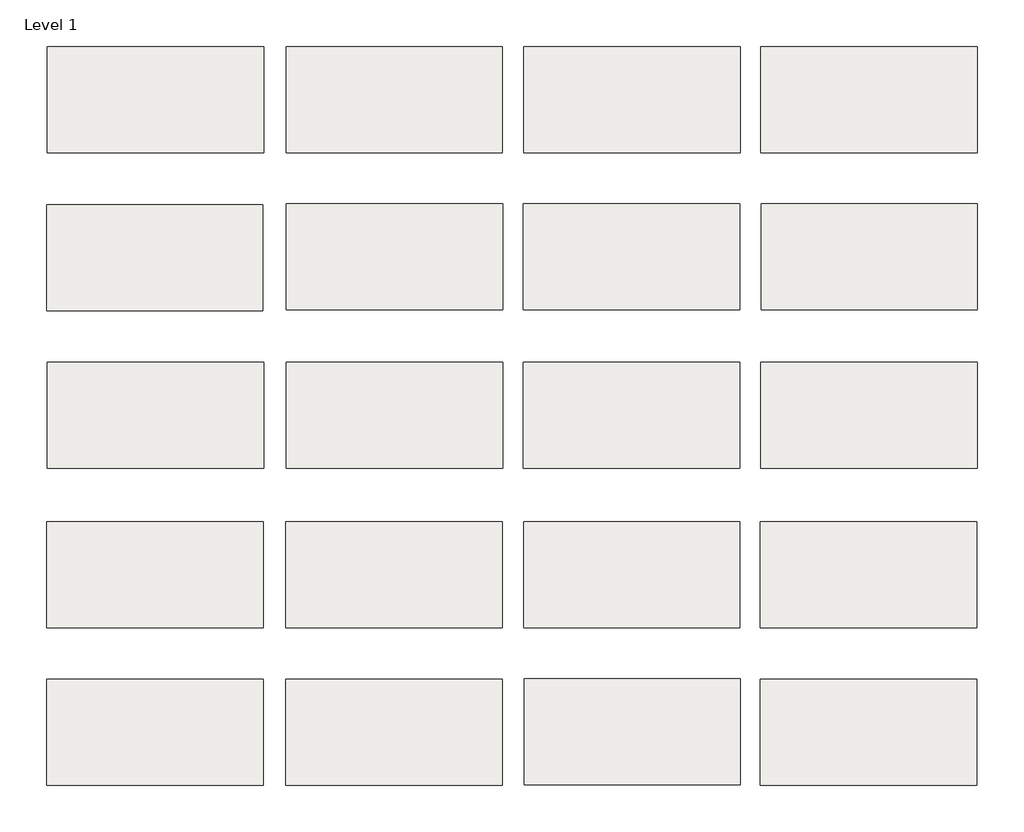
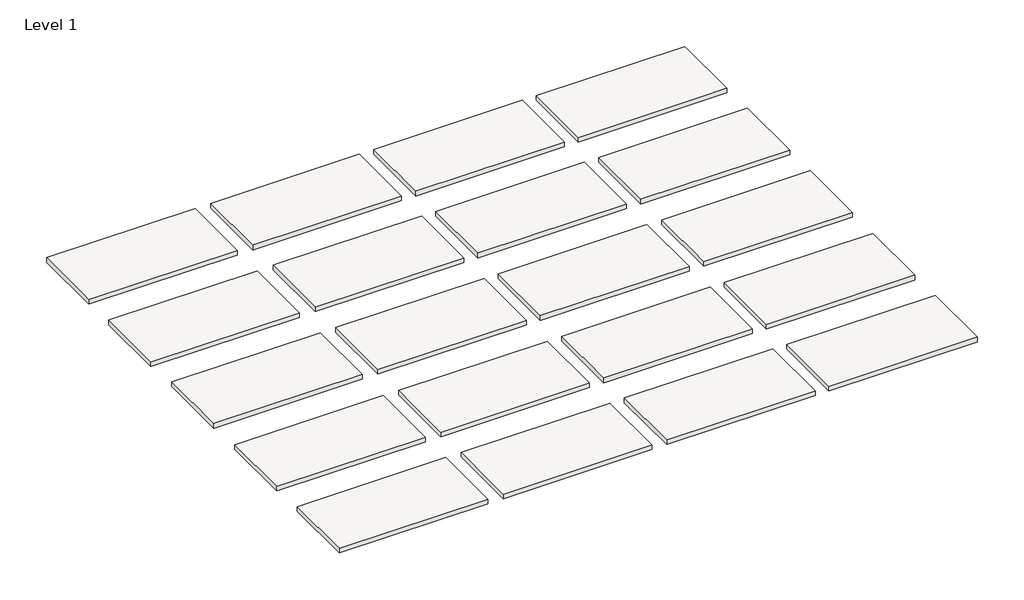
# One storey: 20 slabs.
"""IFC4 building model written with IfcOpenShell, lengths in millimetres."""

from ifc_helpers import new_model, si_unit, frame, origin, place, context, project, spatial, polyline, outline, extrude, element, save

model = new_model("IFC4")

# Units and contexts
model_context = context("Model", 3, world=origin())
ifc_project = project(units=[si_unit("LENGTHUNIT", "METRE", prefix="MILLI")], contexts=[model_context])

# Site, building, storey
site = spatial("IfcSite", under=ifc_project)
building = spatial("IfcBuilding", under=site)
storey = spatial("IfcBuildingStorey", under=building, Name="Level 1", Elevation=0.0)

# Slabs
placement = place(None, origin())
element("IfcSlab", 1, at=placement, inside=storey, context=model_context, shape_type="SweptSolid", body=[
    extrude(outline(polyline([(-31351.4569148, 12110.0907703), (-31351.4569148, 11944.9907703), (-31688.0069148, 11944.9907703), (-31688.0069148, 12110.0907703), (-31351.4569148, 12110.0907703)])), frame((0.0, 0.0, -11.1125), z_axis=(0.0, 0.0, 1.0), x_axis=(1.0, 0.0, 0.0)), (0.0, 0.0, 1.0), 11.1125),
])
element("IfcSlab", 2, at=placement, inside=storey, context=model_context, shape_type="SweptSolid", body=[
    extrude(outline(polyline([(-32093.127291, 13093.2625748), (-32093.127291, 12928.1625748), (-32429.677291, 12928.1625748), (-32429.677291, 13093.2625748), (-32093.127291, 13093.2625748)])), frame((0.0, 0.0, -11.1125), z_axis=(0.0, 0.0, 1.0), x_axis=(1.0, 0.0, 0.0)), (0.0, 0.0, 1.0), 11.1125),
])
element("IfcSlab", 3, at=placement, inside=storey, context=model_context, shape_type="SweptSolid", body=[
    extrude(outline(polyline([(-31721.652291, 13093.2625748), (-31721.652291, 12928.1625748), (-32058.202291, 12928.1625748), (-32058.202291, 13093.2625748), (-31721.652291, 13093.2625748)])), frame((0.0, 0.0, -11.1125), z_axis=(0.0, 0.0, 1.0), x_axis=(1.0, 0.0, 0.0)), (0.0, 0.0, 1.0), 11.1125),
])
element("IfcSlab", 4, at=placement, inside=storey, context=model_context, shape_type="SweptSolid", body=[
    extrude(outline(polyline([(-31351.764791, 13093.2625748), (-31351.764791, 12928.1625748), (-31688.314791, 12928.1625748), (-31688.314791, 13093.2625748), (-31351.764791, 13093.2625748)])), frame((0.0, 0.0, -11.1125), z_axis=(0.0, 0.0, 1.0), x_axis=(1.0, 0.0, 0.0)), (0.0, 0.0, 1.0), 11.1125),
])
element("IfcSlab", 5, at=placement, inside=storey, context=model_context, shape_type="SweptSolid", body=[
    extrude(outline(polyline([(-30983.464791, 13093.2625748), (-30983.464791, 12928.1625748), (-31320.014791, 12928.1625748), (-31320.014791, 13093.2625748), (-30983.464791, 13093.2625748)])), frame((0.0, 0.0, -11.1125), z_axis=(0.0, 0.0, 1.0), x_axis=(1.0, 0.0, 0.0)), (0.0, 0.0, 1.0), 11.1125),
])
element("IfcSlab", 6, at=placement, inside=storey, context=model_context, shape_type="SweptSolid", body=[
    extrude(outline(polyline([(-32094.1575251, 12847.0969588), (-32094.1575251, 12681.9969588), (-32430.7075251, 12681.9969588), (-32430.7075251, 12847.0969588), (-32094.1575251, 12847.0969588)])), frame((0.0, 0.0, -11.1125), z_axis=(0.0, 0.0, 1.0), x_axis=(1.0, 0.0, 0.0)), (0.0, 0.0, 1.0), 11.1125),
])
element("IfcSlab", 7, at=placement, inside=storey, context=model_context, shape_type="SweptSolid", body=[
    extrude(outline(polyline([(-31721.0950251, 12848.6844588), (-31721.0950251, 12683.5844588), (-32057.6450251, 12683.5844588), (-32057.6450251, 12848.6844588), (-31721.0950251, 12848.6844588)])), frame((0.0, 0.0, -11.1125), z_axis=(0.0, 0.0, 1.0), x_axis=(1.0, 0.0, 0.0)), (0.0, 0.0, 1.0), 11.1125),
])
element("IfcSlab", 8, at=placement, inside=storey, context=model_context, shape_type="SweptSolid", body=[
    extrude(outline(polyline([(-31352.7950251, 12848.6844588), (-31352.7950251, 12683.5844588), (-31689.3450251, 12683.5844588), (-31689.3450251, 12848.6844588), (-31352.7950251, 12848.6844588)])), frame((0.0, 0.0, -11.1125), z_axis=(0.0, 0.0, 1.0), x_axis=(1.0, 0.0, 0.0)), (0.0, 0.0, 1.0), 11.1125),
])
element("IfcSlab", 9, at=placement, inside=storey, context=model_context, shape_type="SweptSolid", body=[
    extrude(outline(polyline([(-30982.9075251, 12848.6844588), (-30982.9075251, 12683.5844588), (-31319.4575251, 12683.5844588), (-31319.4575251, 12848.6844588), (-30982.9075251, 12848.6844588)])), frame((0.0, 0.0, -11.1125), z_axis=(0.0, 0.0, 1.0), x_axis=(1.0, 0.0, 0.0)), (0.0, 0.0, 1.0), 11.1125),
])
element("IfcSlab", 10, at=placement, inside=storey, context=model_context, shape_type="SweptSolid", body=[
    extrude(outline(polyline([(-32092.7100288, 12602.1250483), (-32092.7100288, 12437.0250483), (-32429.2600288, 12437.0250483), (-32429.2600288, 12602.1250483), (-32092.7100288, 12602.1250483)])), frame((0.0, 0.0, -11.1125), z_axis=(0.0, 0.0, 1.0), x_axis=(1.0, 0.0, 0.0)), (0.0, 0.0, 1.0), 11.1125),
])
element("IfcSlab", 11, at=placement, inside=storey, context=model_context, shape_type="SweptSolid", body=[
    extrude(outline(polyline([(-31721.2350288, 12602.1250483), (-31721.2350288, 12437.0250483), (-32057.7850288, 12437.0250483), (-32057.7850288, 12602.1250483), (-31721.2350288, 12602.1250483)])), frame((0.0, 0.0, -11.1125), z_axis=(0.0, 0.0, 1.0), x_axis=(1.0, 0.0, 0.0)), (0.0, 0.0, 1.0), 11.1125),
])
element("IfcSlab", 12, at=placement, inside=storey, context=model_context, shape_type="SweptSolid", body=[
    extrude(outline(polyline([(-31352.9350288, 12602.1250483), (-31352.9350288, 12437.0250483), (-31689.4850288, 12437.0250483), (-31689.4850288, 12602.1250483), (-31352.9350288, 12602.1250483)])), frame((0.0, 0.0, -11.1125), z_axis=(0.0, 0.0, 1.0), x_axis=(1.0, 0.0, 0.0)), (0.0, 0.0, 1.0), 11.1125),
])
element("IfcSlab", 13, at=placement, inside=storey, context=model_context, shape_type="SweptSolid", body=[
    extrude(outline(polyline([(-30983.0475288, 12602.1250483), (-30983.0475288, 12437.0250483), (-31319.5975288, 12437.0250483), (-31319.5975288, 12602.1250483), (-30983.0475288, 12602.1250483)])), frame((0.0, 0.0, -11.1125), z_axis=(0.0, 0.0, 1.0), x_axis=(1.0, 0.0, 0.0)), (0.0, 0.0, 1.0), 11.1125),
])
element("IfcSlab", 14, at=placement, inside=storey, context=model_context, shape_type="SweptSolid", body=[
    extrude(outline(polyline([(-32093.5775129, 12354.5309932), (-32093.5775129, 12189.4309932), (-32430.1275129, 12189.4309932), (-32430.1275129, 12354.5309932), (-32093.5775129, 12354.5309932)])), frame((0.0, 0.0, -11.1125), z_axis=(0.0, 0.0, 1.0), x_axis=(1.0, 0.0, 0.0)), (0.0, 0.0, 1.0), 11.1125),
])
element("IfcSlab", 15, at=placement, inside=storey, context=model_context, shape_type="SweptSolid", body=[
    extrude(outline(polyline([(-31722.1025129, 12354.5309932), (-31722.1025129, 12189.4309932), (-32058.6525129, 12189.4309932), (-32058.6525129, 12354.5309932), (-31722.1025129, 12354.5309932)])), frame((0.0, 0.0, -11.1125), z_axis=(0.0, 0.0, 1.0), x_axis=(1.0, 0.0, 0.0)), (0.0, 0.0, 1.0), 11.1125),
])
element("IfcSlab", 16, at=placement, inside=storey, context=model_context, shape_type="SweptSolid", body=[
    extrude(outline(polyline([(-31352.2150129, 12354.5309932), (-31352.2150129, 12189.4309932), (-31688.7650129, 12189.4309932), (-31688.7650129, 12354.5309932), (-31352.2150129, 12354.5309932)])), frame((0.0, 0.0, -11.1125), z_axis=(0.0, 0.0, 1.0), x_axis=(1.0, 0.0, 0.0)), (0.0, 0.0, 1.0), 11.1125),
])
element("IfcSlab", 17, at=placement, inside=storey, context=model_context, shape_type="SweptSolid", body=[
    extrude(outline(polyline([(-30983.9150129, 12354.5309932), (-30983.9150129, 12189.4309932), (-31320.4650129, 12189.4309932), (-31320.4650129, 12354.5309932), (-30983.9150129, 12354.5309932)])), frame((0.0, 0.0, -11.1125), z_axis=(0.0, 0.0, 1.0), x_axis=(1.0, 0.0, 0.0)), (0.0, 0.0, 1.0), 11.1125),
])
element("IfcSlab", 18, at=placement, inside=storey, context=model_context, shape_type="SweptSolid", body=[
    extrude(outline(polyline([(-32093.5084973, 12109.4756949), (-32093.5084973, 11944.3756949), (-32430.0584973, 11944.3756949), (-32430.0584973, 12109.4756949), (-32093.5084973, 12109.4756949)])), frame((0.0, 0.0, -11.1125), z_axis=(0.0, 0.0, 1.0), x_axis=(1.0, 0.0, 0.0)), (0.0, 0.0, 1.0), 11.1125),
])
element("IfcSlab", 19, at=placement, inside=storey, context=model_context, shape_type="SweptSolid", body=[
    extrude(outline(polyline([(-31722.0334973, 12109.4756949), (-31722.0334973, 11944.3756949), (-32058.5834973, 11944.3756949), (-32058.5834973, 12109.4756949), (-31722.0334973, 12109.4756949)])), frame((0.0, 0.0, -11.1125), z_axis=(0.0, 0.0, 1.0), x_axis=(1.0, 0.0, 0.0)), (0.0, 0.0, 1.0), 11.1125),
])
element("IfcSlab", 20, at=placement, inside=storey, context=model_context, shape_type="SweptSolid", body=[
    extrude(outline(polyline([(-30983.8459973, 12109.4756949), (-30983.8459973, 11944.3756949), (-31320.3959973, 11944.3756949), (-31320.3959973, 12109.4756949), (-30983.8459973, 12109.4756949)])), frame((0.0, 0.0, -11.1125), z_axis=(0.0, 0.0, 1.0), x_axis=(1.0, 0.0, 0.0)), (0.0, 0.0, 1.0), 11.1125),
])

save(model, "model.ifc")
